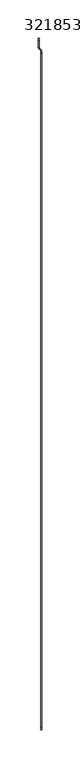
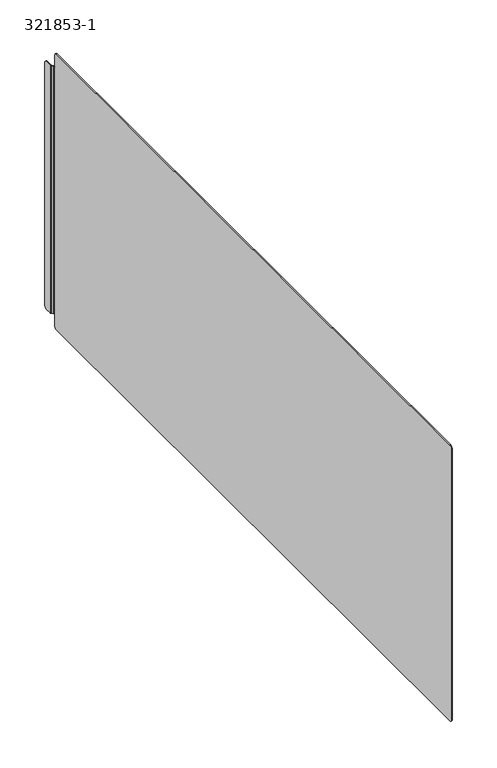
"""IFC4 building model written with IfcOpenShell, lengths in millimetres: proxy geometry, 321853-1."""

import ifcopenshell
import ifcopenshell.guid

model = None  # the IFC model being written
_history = None  # IfcOwnerHistory: only IFC2X3 demands one
_inside = {}  # id of a spatial element -> (the spatial element, [elements in it])
_under = {}  # id of a project, library or spatial element -> (it, [spatial elements below it])
_declared = {}  # id of a project -> (the project, [libraries it declares])
_typed = {}  # id of a type object -> (the type object, [elements of that type])
_made_of = {}  # id of a material, layer set ... -> (it, [elements and type objects made of it])


def new_model(schema):
    """Start an empty IFC model of exactly this schema.

    Asked for "IFC4X3", IfcOpenShell would pick the latest addendum, in which some entities
    have other attributes; the version numbers below select the first issue.
    IFC2X3 requires an IfcOwnerHistory on every rooted entity: one is made here for all.
    """
    global model, _history
    if schema == "IFC4X3":
        model = ifcopenshell.file(schema_version=(4, 3, 0, 0))
    else:
        model = ifcopenshell.file(schema=schema)
    _inside.clear()
    _under.clear()
    _declared.clear()
    _typed.clear()
    _made_of.clear()
    _history = None
    if model.schema == "IFC2X3":
        org = make("IfcOrganization", Name="unknown")
        user = make(
            "IfcPersonAndOrganization",
            ThePerson=make("IfcPerson", FamilyName="unknown"),
            TheOrganization=org,
        )
        app = make(
            "IfcApplication",
            ApplicationDeveloper=org,
            Version="unknown",
            ApplicationFullName="unknown",
            ApplicationIdentifier="unknown",
        )
        _history = make(
            "IfcOwnerHistory",
            OwningUser=user,
            OwningApplication=app,
            ChangeAction="ADDED",
            CreationDate=0,
        )
    return model


def make(cls, **values):
    """One entity of the class cls with the attributes given. An attribute that is None is left unset."""
    return model.create_entity(
        cls, **{name: value for name, value in values.items() if value is not None}
    )


def rooted(cls, **values):
    """An entity with a GlobalId (a new one), such as an element, a storey or a relation."""
    return make(cls, GlobalId=ifcopenshell.guid.new(), OwnerHistory=_history, **values)


def si_unit(unit_type, name, prefix=None):
    """IfcSIUnit, for example si_unit("LENGTHUNIT", "METRE", prefix="MILLI")."""
    return make("IfcSIUnit", UnitType=unit_type, Prefix=prefix, Name=name)


def assignment(units):
    """IfcUnitAssignment: the units of a project."""
    return None if units is None else make("IfcUnitAssignment", Units=units)


def point(xyz):
    """IfcCartesianPoint."""
    return None if xyz is None else make("IfcCartesianPoint", Coordinates=xyz)


def direction(xyz):
    """IfcDirection."""
    return None if xyz is None else make("IfcDirection", DirectionRatios=xyz)


def frame(location, z_axis=None, x_axis=None):
    """IfcAxis2Placement3D, a coordinate frame: its origin and axes. An axis left out is left unset."""
    return make(
        "IfcAxis2Placement3D",
        Location=point(location),
        Axis=direction(z_axis),
        RefDirection=direction(x_axis),
    )


def origin():
    """The frame at (0, 0, 0) with its axes left unset."""
    return frame((0.0, 0.0, 0.0))


def place(relative_to, where):
    """IfcLocalPlacement: puts the frame where relative to a parent placement (None: the world)."""
    return make(
        "IfcLocalPlacement", PlacementRelTo=relative_to, RelativePlacement=where
    )


def context(
    kind, dimensions, precision=None, world=None, true_north=None, identifier=None
):
    """IfcGeometricRepresentationContext, for example the 3D "Model" context."""
    return make(
        "IfcGeometricRepresentationContext",
        ContextIdentifier=identifier,
        ContextType=kind,
        CoordinateSpaceDimension=dimensions,
        Precision=precision,
        WorldCoordinateSystem=world,
        TrueNorth=true_north,
    )


def project(units=None, contexts=None):
    """IfcProject with its units and contexts."""
    return rooted(
        "IfcProject",
        Name="project",
        RepresentationContexts=contexts,
        UnitsInContext=assignment(units),
    )


def spatial(cls, under=None, at=None, **own):
    """A site, building, storey or space (cls), placed at a placement, below another one or the project."""
    s = rooted(cls, ObjectPlacement=at, **own)
    if under is not None:
        _under.setdefault(under.id(), (under, []))[1].append(s)
    return s


def polyline(points):
    """IfcPolyline through the points."""
    return make("IfcPolyline", Points=[point(p) for p in points])


def circle_curve(where, radius):
    """IfcCircle in the frame where."""
    return make("IfcCircle", Position=where, Radius=radius)


def shape(context_of_items, identifier, shape_type, items):
    """IfcShapeRepresentation: the items that make up one representation, for example the "Body"."""
    return make(
        "IfcShapeRepresentation",
        ContextOfItems=context_of_items,
        RepresentationIdentifier=identifier,
        RepresentationType=shape_type,
        Items=items,
    )


def source(mapping_origin, context_of_items, identifier, shape_type, items):
    """IfcRepresentationMap: a shape defined once, which mapped items show again and again."""
    return make(
        "IfcRepresentationMap",
        MappingOrigin=mapping_origin,
        MappedRepresentation=shape(context_of_items, identifier, shape_type, items),
    )


def transform(
    local_origin,
    x_axis=None,
    y_axis=None,
    z_axis=None,
    scale=None,
    scale2=None,
    scale3=None,
    uniform=True,
):
    """IfcCartesianTransformationOperator3D, or its non-uniform kind. x_axis, y_axis, z_axis: its Axis1, 2, 3."""
    if uniform:
        return make(
            "IfcCartesianTransformationOperator3D",
            Axis1=direction(x_axis),
            Axis2=direction(y_axis),
            LocalOrigin=point(local_origin),
            Scale=scale,
            Axis3=direction(z_axis),
        )
    return make(
        "IfcCartesianTransformationOperator3DnonUniform",
        Axis1=direction(x_axis),
        Axis2=direction(y_axis),
        LocalOrigin=point(local_origin),
        Scale=scale,
        Axis3=direction(z_axis),
        Scale2=scale2,
        Scale3=scale3,
    )


def mapped(mapping_source, mapping_target):
    """IfcMappedItem: shows the shape of a source again, moved by a transform."""
    return make(
        "IfcMappedItem", MappingSource=mapping_source, MappingTarget=mapping_target
    )


def made_of(thing, what):
    """Note that an element or type object is made of a material, layer set ...; save() writes the relation."""
    if what is not None:
        _made_of.setdefault(what.id(), (what, []))[1].append(thing)
    return thing


def element(
    cls,
    number,
    at=None,
    inside=None,
    cuts=None,
    type_object=None,
    material=None,
    context=None,
    identifier="Body",
    shape_type=None,
    held_by="IfcProductDefinitionShape",
    body=None,
    shapes=None,
    **own,
):
    """One element of the class cls, such as IfcWall. Its Tag is "e" and its number.

    at: its placement. inside: the storey or other place that contains it. cuts: it is an
    opening in that element (IfcRelVoidsElement). A single representation is given by context,
    identifier, shape_type and body (its items); several are given by shapes. held_by: the class
    of the entity that holds the representations. save() writes the other relations.
    """
    e = rooted(cls, Tag="e%d" % number, ObjectPlacement=at, **own)
    if body is not None:
        shapes = [shape(context, identifier, shape_type, body)]
    if shapes is not None:
        e.Representation = make(held_by, Representations=shapes)
    if inside is not None:
        _inside.setdefault(inside.id(), (inside, []))[1].append(e)
    if cuts is not None:
        rooted(
            "IfcRelVoidsElement", RelatingBuildingElement=cuts, RelatedOpeningElement=e
        )
    if type_object is not None:
        _typed.setdefault(type_object.id(), (type_object, []))[1].append(e)
    return made_of(e, material)


def aggregate(whole, parts):
    """IfcRelAggregates: a whole, such as a stair, and the parts it consists of."""
    return rooted("IfcRelAggregates", RelatingObject=whole, RelatedObjects=parts)


def save(model, path):
    """Write the relations noted so far, then the file.

    IfcRelAggregates (storeys below a building ...), IfcRelContainedInSpatialStructure (elements
    in a storey), IfcRelDefinesByType, IfcRelAssociatesMaterial and IfcRelDeclares: one each for
    every whole, place, type object, material and project.
    """
    for whole, parts in _under.values():
        aggregate(whole, parts)
    for where, things in _inside.values():
        rooted(
            "IfcRelContainedInSpatialStructure",
            RelatedElements=things,
            RelatingStructure=where,
        )
    for kind, things in _typed.values():
        rooted("IfcRelDefinesByType", RelatedObjects=things, RelatingType=kind)
    for what, things in _made_of.values():
        rooted("IfcRelAssociatesMaterial", RelatedObjects=things, RelatingMaterial=what)
    for by, libraries in _declared.values():
        rooted("IfcRelDeclares", RelatingContext=by, RelatedDefinitions=libraries)
    model.write(path)


def plane_surface(at):
    """IfcPlane: the flat surface through the origin of the frame at, square to its z axis."""
    return make("IfcPlane", Position=at)


def cylinder_surface(at, radius):
    """IfcCylindricalSurface: all points at the distance radius from the z axis of the frame at."""
    return make("IfcCylindricalSurface", Position=at, Radius=radius)


def revolved_surface(curve, axis_point, axis_direction):
    """IfcSurfaceOfRevolution: the curve turned about the line through axis_point along axis_direction."""
    return make(
        "IfcSurfaceOfRevolution",
        SweptCurve=make("IfcArbitraryOpenProfileDef", ProfileType="CURVE", Curve=curve),
        AxisPosition=make("IfcAxis1Placement", Location=point(axis_point), Axis=direction(axis_direction)),
    )


def advanced_brep(points, edges, surfaces, faces):
    """IfcAdvancedBrep: a solid bounded by faces that lie on surfaces and meet in shared edges.

    An edge is (start, end): straight between two places in points (the first is 0);
    or (start, end, curve); or (start, end, curve, False) where it runs against its curve.
    A face is (place in surfaces, loops), or (place, loops, False) where it looks against
    its surface's normal. A loop lists edges by number (the first is 1), with a minus sign
    where the edge is run from its end to its start. The first loop is the outer one.
    """
    corners = [point(p) for p in points]
    vertices = [make("IfcVertexPoint", VertexGeometry=c) for c in corners]
    made = []
    for start, end, *more in edges:
        made.append(
            make(
                "IfcEdgeCurve",
                EdgeStart=vertices[start],
                EdgeEnd=vertices[end],
                EdgeGeometry=more[0] if more else make("IfcPolyline", Points=[corners[start], corners[end]]),
                SameSense=more[1] if len(more) > 1 else True,
            )
        )
    hull = []
    for where, loops, *sense in faces:
        bounds = []
        for j, loop in enumerate(loops):
            ring = [make("IfcOrientedEdge", EdgeElement=made[abs(k) - 1], Orientation=k > 0) for k in loop]
            bounds.append(
                make(
                    "IfcFaceOuterBound" if j == 0 else "IfcFaceBound",
                    Bound=make("IfcEdgeLoop", EdgeList=ring),
                    Orientation=True,
                )
            )
        hull.append(make("IfcAdvancedFace", Bounds=bounds, FaceSurface=surfaces[where], SameSense=sense[0] if sense else True))
    return make("IfcAdvancedBrep", Outer=make("IfcClosedShell", CfsFaces=hull))


def proxy_321853_1_5ad3a9ca(model_context):
    return source(origin(), model_context, "Body", "AdvancedBrep", [
        advanced_brep(
        [(0.91186, -3.88366, 3.175), (0.91186, -0.70866, 0.0), (0.91186, 875.3659509, 0.0), (0.91186, 878.5409509, 3.175), (0.91186, 878.5409509, 19.05), (0.91186, 878.9968809, 19.05), (0.91186, 878.9968809, 355.6), (0.91186, 878.5409509, 355.6), (0.91186, 878.5409509, 371.475), (0.91186, 875.3659509, 374.65), (0.91186, -0.70866, 374.65), (0.91186, -3.88366, 371.475), (0.0, -0.70866, 0.0), (0.0, -3.88366, 3.175), (0.0, -3.88366, 371.475), (0.0, -0.70866, 374.65), (0.0, 875.3659509, 374.65), (0.0, 878.5409509, 371.475), (0.0, 878.5409509, 355.6), (0.0, 878.9968809, 355.6), (0.0, 878.9968809, 19.05), (0.0, 878.5409509, 19.05), (0.0, 878.5409509, 3.175), (0.0, 875.3659509, 0.0), (-2.1976387, 892.1889939, 19.05), (-2.1976387, 895.3639939, 22.225), (-2.1976387, 895.3639939, 352.425), (-2.1976387, 892.1889939, 355.6), (-2.1976387, 883.599313, 355.6), (-2.1976387, 883.599313, 19.05), (-3.1094987, 895.3639939, 22.225), (-3.1094987, 892.1889939, 19.05), (-3.1094987, 883.599313, 19.05), (-3.1094987, 883.599313, 355.6), (-3.1094987, 892.1889939, 355.6), (-3.1094987, 895.3639939, 352.425), (-1.8033458, 882.6474058, 355.6), (-1.8033458, 882.6474058, 19.05), (-2.4481282, 882.0026235, 355.6), (-2.4481282, 882.0026235, 19.05), (0.2504895, 880.5935705, 19.05), (-0.3942929, 879.9487881, 19.05), (0.2504895, 880.5935705, 355.6), (-0.3942929, 879.9487881, 355.6)],
        [
            (0, 1, circle_curve(frame((0.91186, -0.70866, 3.175), z_axis=(1.0, 0.0, 0.0), x_axis=(0.0, -0.7071067811865477, -0.7071067811865472)), 3.175)),
            (1, 2),
            (2, 3, circle_curve(frame((0.91186, 875.3659509, 3.175), z_axis=(1.0, 0.0, 0.0), x_axis=(0.0, 0.7071067811865424, -0.7071067811865527)), 3.175)),
            (3, 4),
            (4, 5),
            (5, 6),
            (6, 7),
            (7, 8),
            (8, 9, circle_curve(frame((0.91186, 875.3659509, 371.475), z_axis=(1.0, 0.0, 0.0), x_axis=(0.0, 0.7071067811865317, 0.7071067811865633)), 3.175)),
            (9, 10),
            (10, 11, circle_curve(frame((0.91186, -0.70866, 371.475), z_axis=(1.0, 0.0, 0.0), x_axis=(0.0, -0.7071067811865387, 0.7071067811865562)), 3.175)),
            (11, 0),
            (12, 13, circle_curve(frame((0.0, -0.70866, 3.175), z_axis=(-1.0, 0.0, 0.0), x_axis=(0.0, -0.7071067811865477, -0.7071067811865472)), 3.175)),
            (13, 14),
            (14, 15, circle_curve(frame((0.0, -0.70866, 371.475), z_axis=(-1.0, 0.0, 0.0), x_axis=(0.0, -0.7071067811865387, 0.7071067811865562)), 3.175)),
            (15, 16),
            (16, 17, circle_curve(frame((0.0, 875.3659509, 371.475), z_axis=(-1.0, 0.0, 0.0), x_axis=(0.0, 0.7071067811865317, 0.7071067811865633)), 3.175)),
            (17, 18),
            (18, 19),
            (19, 20),
            (20, 21),
            (21, 22),
            (22, 23, circle_curve(frame((0.0, 875.3659509, 3.175), z_axis=(-1.0, 0.0, 0.0), x_axis=(0.0, 0.7071067811865424, -0.7071067811865527)), 3.175)),
            (23, 12),
            (24, 25, circle_curve(frame((-2.1976387, 892.1889939, 22.225), z_axis=(1.0, 0.0, 0.0), x_axis=(0.0, 0.7071067811865396, -0.7071067811865555)), 3.175)),
            (25, 26),
            (26, 27, circle_curve(frame((-2.1976387, 892.1889939, 352.425), z_axis=(1.0, 0.0, 0.0), x_axis=(0.0, 0.7071067811865317, 0.7071067811865633)), 3.175)),
            (27, 28),
            (28, 29),
            (29, 24),
            (30, 31, circle_curve(frame((-3.1094987, 892.1889939, 22.225), z_axis=(-1.0, 0.0, 0.0), x_axis=(0.0, 0.7071067811865396, -0.7071067811865555)), 3.175)),
            (31, 32),
            (32, 33),
            (33, 34),
            (34, 35, circle_curve(frame((-3.1094987, 892.1889939, 352.425), z_axis=(-1.0, 0.0, 0.0), x_axis=(0.0, 0.7071067811865317, 0.7071067811865633)), 3.175)),
            (35, 30),
            (0, 13),
            (12, 1),
            (11, 14),
            (10, 15),
            (9, 16),
            (23, 2),
            (22, 3),
            (21, 4),
            (24, 31),
            (30, 25),
            (35, 26),
            (34, 27),
            (33, 28),
            (8, 17),
            (7, 18),
            (28, 36, circle_curve(frame((-0.8514387, 883.599313, 355.6), z_axis=(0.0, 0.0, 1.0), x_axis=(-0.7071067811865783, -0.7071067811865168, 0.0)), 1.3462)),
            (36, 37),
            (37, 29, circle_curve(frame((-0.8514387, 883.599313, 19.05), z_axis=(0.0, 0.0, -1.0), x_axis=(-0.7071067811865783, -0.7071067811865168, 0.0)), 1.3462)),
            (29, 32),
            (33, 38, circle_curve(frame((-0.8514387, 883.599313, 355.6), z_axis=(0.0, 0.0, 1.0), x_axis=(-0.7071067811865783, -0.7071067811865168, 0.0)), 2.25806)),
            (38, 36),
            (37, 39),
            (39, 32, circle_curve(frame((-0.8514387, 883.599313, 19.05), z_axis=(0.0, 0.0, -1.0), x_axis=(-0.7071067811865783, -0.7071067811865168, 0.0)), 2.25806)),
            (39, 38),
            (37, 40),
            (40, 41),
            (41, 39),
            (36, 42),
            (42, 40),
            (43, 41),
            (41, 20, circle_curve(frame((-1.3462, 878.9968809, 19.05), z_axis=(0.0, 0.0, -1.0), x_axis=(1.0, 0.0, 0.0)), 1.3462)),
            (19, 43, circle_curve(frame((-1.3462, 878.9968809, 355.6), z_axis=(0.0, 0.0, 1.0), x_axis=(1.0, 0.0, 0.0)), 1.3462)),
            (38, 43),
            (43, 42),
            (40, 5, circle_curve(frame((-1.3462, 878.9968809, 19.05), z_axis=(0.0, 0.0, -1.0), x_axis=(1.0, 0.0, 0.0)), 2.25806)),
            (5, 20),
            (19, 6),
            (6, 42, circle_curve(frame((-1.3462, 878.9968809, 355.6), z_axis=(0.0, 0.0, 1.0), x_axis=(1.0, 0.0, 0.0)), 2.25806)),
        ],
        [
            plane_surface(frame((0.91186, 440.205545, 187.4271616), z_axis=(1.0, 0.0, 0.0), x_axis=(0.0, 0.0, -1.0))),
            plane_surface(frame((0.0, 440.205545, 187.4271616), z_axis=(-1.0, 0.0, 0.0), x_axis=(0.0, 0.0, -1.0))),
            plane_surface(frame((-2.1976387, 888.7954438, 187.325), z_axis=(1.0, 0.0, 0.0), x_axis=(0.0, 0.0, -1.0))),
            plane_surface(frame((-3.1094987, 888.7954438, 187.325), z_axis=(-1.0, 0.0, 0.0), x_axis=(0.0, 0.0, -1.0))),
            cylinder_surface(frame((0.0, -0.70866, 3.175), z_axis=(0.9999999999999998, 0.0, 0.0), x_axis=(0.0, -0.7071067811865477, -0.7071067811865472)), 3.175),
            plane_surface(frame((0.0, -3.88366, 371.475), z_axis=(0.0, -1.0, 0.0), x_axis=(0.0, 0.0, -1.0))),
            cylinder_surface(frame((0.0, -0.70866, 371.475), z_axis=(-0.9999999999999998, 0.0, 0.0), x_axis=(0.0, -0.7071067811865387, 0.7071067811865562)), 3.175),
            plane_surface(frame((0.0, 614.553, 374.65), z_axis=(0.0, 0.0, 1.0), x_axis=(1.0, 0.0, 0.0))),
            plane_surface(frame((0.0, 614.553, 0.0), z_axis=(0.0, 0.0, -1.0), x_axis=(-1.0, 0.0, 0.0))),
            cylinder_surface(frame((0.45593, 875.3659509, 3.175), z_axis=(1.0, 0.0, 0.0), x_axis=(0.0, 0.7071067811865424, -0.7071067811865527)), 3.175),
            plane_surface(frame((0.91186, 878.5409509, 19.05), z_axis=(0.0, 1.0, 0.0), x_axis=(0.0, 0.0, -1.0))),
            cylinder_surface(frame((-3.1094987, 892.1889939, 22.225), z_axis=(1.0, 0.0, 0.0), x_axis=(0.0, 0.7071067811865396, -0.7071067811865555)), 3.175),
            plane_surface(frame((-3.1094987, 895.3639939, 355.6), z_axis=(0.0, 1.0, 0.0), x_axis=(0.0, 0.0, 1.0))),
            cylinder_surface(frame((-3.1094987, 892.1889939, 352.425), z_axis=(1.0, 0.0, 0.0), x_axis=(0.0, 0.7071067811865317, 0.7071067811865633)), 3.175),
            plane_surface(frame((-3.1094987, 883.599313, 355.6), z_axis=(0.0, 0.0, 1.0), x_axis=(0.7071067811864892, -0.707106781186606, 0.0))),
            cylinder_surface(frame((0.45593, 875.3659509, 371.475), z_axis=(-1.0, 0.0, 0.0), x_axis=(0.0, 0.7071067811865317, 0.7071067811865633)), 3.175),
            plane_surface(frame((0.91186, 878.5409509, 356.51186), z_axis=(0.0, 1.0, 0.0), x_axis=(0.0, 0.0, -1.0))),
            revolved_surface(polyline([(-1.8033458488333718, 882.6474058511668, 19.05000000000001), (-1.8033458488333718, 882.6474058511668, 355.6)]), (-0.8514387, 883.599313, 187.325), (0.0, 0.0, -1.0)),
            plane_surface(frame((-3.1094987, 883.599313, 19.05), z_axis=(0.0, 0.0, -1.0), x_axis=(-0.7071067811864892, 0.707106781186606, 0.0))),
            plane_surface(frame((-3.1094987, 883.599313, 355.6), z_axis=(0.0, 0.0, 1.0), x_axis=(1.0, 0.0, 0.0))),
            plane_surface(frame((-2.1976387, 883.599313, 19.05), z_axis=(0.0, 0.0, -1.0), x_axis=(-1.0, 0.0, 0.0))),
            cylinder_surface(frame((-0.8514387, 883.599313, 187.325), z_axis=(0.0, 0.0, -1.0), x_axis=(-0.7071067811865783, -0.7071067811865168, 0.0)), 2.25806),
            plane_surface(frame((0.2504895, 880.5935705, 19.05), z_axis=(0.0, 0.0, -1.0), x_axis=(-0.7071067811865697, -0.7071067811865255, 0.0))),
            plane_surface(frame((-0.6218899, 881.4659499, 187.325), z_axis=(0.7071067811865783, 0.7071067811865168, 0.0), x_axis=(0.0, 0.0, -1.0))),
            revolved_surface(polyline([(0.0, 878.9968809, 355.6), (0.0, 878.9968809, 19.05000000000001)]), (-1.3462, 878.9968809, 187.325), (0.0, 0.0, 1.0)),
            plane_surface(frame((0.2504895, 880.5935705, 355.6), z_axis=(0.0, 0.0, 1.0), x_axis=(0.7071067811865697, 0.7071067811865255, 0.0))),
            plane_surface(frame((0.2504895, 880.5935705, 19.05), z_axis=(0.0, 0.0, -1.0), x_axis=(-1.0, 0.0, 0.0))),
            plane_surface(frame((-0.3942929, 879.9487881, 355.6), z_axis=(0.0, 0.0, 1.0), x_axis=(1.0, 0.0, 0.0))),
            plane_surface(frame((-1.2666723, 880.8211675, 187.325), z_axis=(-0.7071067811865783, -0.7071067811865168, 0.0), x_axis=(0.0, 0.0, -1.0))),
            cylinder_surface(frame((-1.3462, 878.9968809, 187.325), z_axis=(0.0, 0.0, 1.0), x_axis=(1.0, 0.0, 0.0)), 2.25806),
            plane_surface(frame((0.91186, 878.5409509, 355.6), z_axis=(0.0, 0.0, 1.0), x_axis=(-1.0, 0.0, 0.0))),
            plane_surface(frame((0.91186, 879.9322, 19.05), z_axis=(0.0, 0.0, -1.0), x_axis=(1.0, 0.0, 0.0))),
        ],
        [
            (0, [[1, 2, 3, 4, 5, 6, 7, 8, 9, 10, 11, 12]]),
            (1, [[13, 14, 15, 16, 17, 18, 19, 20, 21, 22, 23, 24]]),
            (2, [[25, 26, 27, 28, 29, 30]]),
            (3, [[31, 32, 33, 34, 35, 36]]),
            (4, [[-1, 37, -13, 38]]),
            (5, [[-37, -12, 39, -14]]),
            (6, [[-15, -39, -11, 40]]),
            (7, [[-40, -10, 41, -16]]),
            (8, [[-38, -24, 42, -2]]),
            (9, [[-3, -42, -23, 43]]),
            (10, [[-43, -22, 44, -4]]),
            (11, [[-25, 45, -31, 46]]),
            (12, [[-46, -36, 47, -26]]),
            (13, [[-27, -47, -35, 48]]),
            (14, [[-48, -34, 49, -28]]),
            (15, [[-17, -41, -9, 50]]),
            (16, [[-50, -8, 51, -18]]),
            (17, [[-29, 52, 53, 54]]),
            (18, [[-45, -30, 55, -32]]),
            (19, [[-49, 56, 57, -52]]),
            (20, [[-55, -54, 58, 59]]),
            (21, [[-33, -59, 60, -56]]),
            (22, [[-58, 61, 62, 63]]),
            (23, [[-53, 64, 65, -61]]),
            (24, [[66, 67, -20, 68]]),
            (25, [[-57, 69, 70, -64]]),
            (26, [[-62, 71, 72, -67]]),
            (27, [[-70, -68, 73, 74]]),
            (28, [[-60, -63, -66, -69]]),
            (29, [[-65, -74, -6, -71]]),
            (30, [[-73, -19, -51, -7]]),
            (31, [[-72, -5, -44, -21]]),
        ],
    ),
    ])


if __name__ == "__main__":
    model = new_model("IFC4")
    model_context = context("Model", 3, world=origin())
    ifc_project = project(units=[si_unit("LENGTHUNIT", "METRE", prefix="MILLI")], contexts=[model_context])
    site = spatial("IfcSite", under=ifc_project)
    building = spatial("IfcBuilding", under=site)
    placement = place(None, origin())
    proxy_321853_1_shape = proxy_321853_1_5ad3a9ca(model_context)
    element("IfcBuildingElementProxy", 1, Name="321853-1", ObjectType="321853-1", at=placement, inside=building, context=model_context, shape_type="MappedRepresentation", body=[
        mapped(proxy_321853_1_shape, transform((0.0, 0.0, 0.0), x_axis=(1.0, 0.0, 0.0), y_axis=(0.0, 1.0, 0.0), z_axis=(0.0, 0.0, 1.0))),
    ])
    save(model, "model.ifc")
